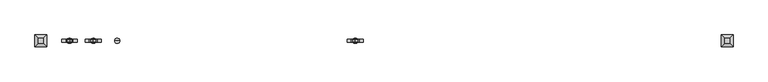
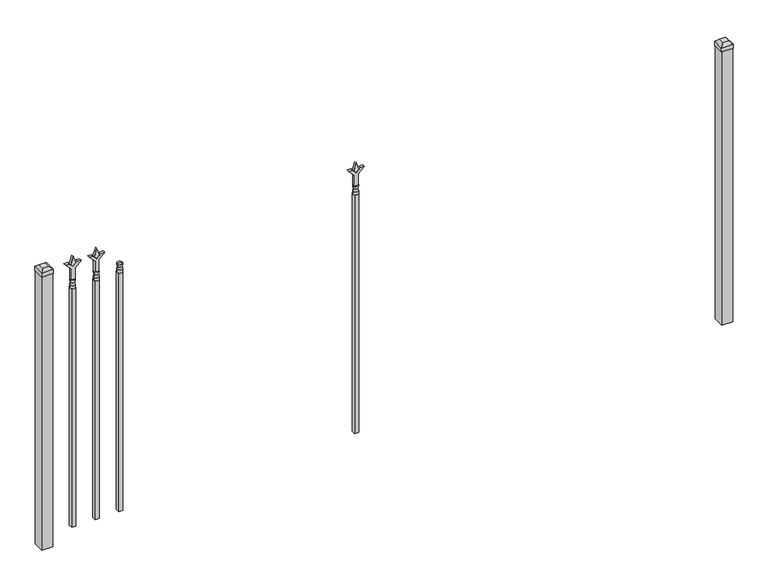
"""IFC4 building model written with IfcOpenShell, lengths in millimetres: railing geometry."""

from ifc_helpers import new_model, si_unit, frame, origin, origin_with_axes, place, context, project, spatial, polyline, circle_curve, outline, extrude, faceted_brep, source, transform, mapped, element, save
from ifc_brep_helpers import plane_surface, cylinder_surface, revolved_surface, advanced_brep


def railing_55c74245(model_context):
    return source(origin(), model_context, "Body", "SolidModel", [
        advanced_brep(
        [(-73175.1035036, -6731.2570174, 1231.9), (-73198.9160036, -6731.2570174, 1231.9), (-73198.9160036, -6731.2570174, 1219.2), (-73175.1035036, -6731.2570174, 1219.2), (-73177.3088355, -6731.2570174, 1244.4070585), (-73196.7106718, -6731.2570174, 1244.4070585), (-73175.1035036, -6731.2570174, 1260.475), (-73198.9160036, -6731.2570174, 1260.475), (-73187.0097536, -6731.2570174, 1260.475), (-73187.0097536, -6731.2570174, 1219.2)],
        [
            (0, 1, circle_curve(frame((-73187.0097536, -6731.2570174, 1231.9), z_axis=(0.0, 0.0, -1.0), x_axis=(-1.0, 0.0, 0.0)), 11.90625)),
            (1, 2),
            (2, 3, circle_curve(frame((-73187.0097536, -6731.2570174, 1219.2), z_axis=(0.0, 0.0, 1.0), x_axis=(-1.0, 0.0, 0.0)), 11.90625)),
            (3, 0),
            (1, 0, circle_curve(frame((-73187.0097536, -6731.2570174, 1231.9), z_axis=(0.0, 0.0, -1.0), x_axis=(-1.0, 0.0, 0.0)), 11.90625)),
            (3, 2, circle_curve(frame((-73187.0097536, -6731.2570174, 1219.2), z_axis=(0.0, 0.0, 1.0), x_axis=(-1.0, 0.0, 0.0)), 11.90625)),
            (4, 5, circle_curve(frame((-73187.0097536, -6731.2570174, 1244.4070585), z_axis=(0.0, 0.0, -1.0), x_axis=(-1.0, 0.0, 0.0)), 9.7009181)),
            (5, 1),
            (0, 4),
            (5, 4, circle_curve(frame((-73187.0097536, -6731.2570174, 1244.4070585), z_axis=(0.0, 0.0, -1.0), x_axis=(-1.0, 0.0, 0.0)), 9.7009181)),
            (6, 7, circle_curve(frame((-73187.0097536, -6731.2570174, 1260.475), z_axis=(0.0, 0.0, -1.0), x_axis=(-1.0, 0.0, 0.0)), 11.90625)),
            (7, 5),
            (4, 6),
            (7, 6, circle_curve(frame((-73187.0097536, -6731.2570174, 1260.475), z_axis=(0.0, 0.0, -1.0), x_axis=(-1.0, 0.0, 0.0)), 11.90625)),
            (8, 7),
            (6, 8),
            (2, 9),
            (9, 3),
        ],
        [
            cylinder_surface(frame((-73187.0097536, -6731.2570174, 1219.2), z_axis=(0.0, 0.0, 1.0), x_axis=(-1.0, 0.0, 0.0)), 11.90625),
            revolved_surface(polyline([(-73198.9160036, -6731.2570174, 1231.9), (-73196.7106718, -6731.2570174, 1244.4070585)]), (-73187.0097536, -6731.2570174, 1219.2), (0.0, 0.0, 1.0)),
            revolved_surface(polyline([(-73196.7106718, -6731.2570174, 1244.4070585), (-73198.9160036, -6731.2570174, 1260.475)]), (-73187.0097536, -6731.2570174, 1219.2), (0.0, 0.0, 1.0)),
            plane_surface(frame((-73187.0097536, -6731.2570174, 1260.475), z_axis=(0.0, 0.0, 1.0), x_axis=(-1.0, 0.0, 0.0))),
            plane_surface(frame((-73187.0097536, -6731.2570174, 1219.2), z_axis=(0.0, 0.0, -1.0), x_axis=(-1.0, 0.0, 0.0))),
        ],
        [
            (0, [[1, 2, 3, 4]]),
            (0, [[5, -4, 6, -2]]),
            (1, [[7, 8, -1, 9]]),
            (1, [[10, -9, -5, -8]]),
            (2, [[11, 12, -7, 13]]),
            (2, [[14, -13, -10, -12]]),
            (3, [[15, -11, 16]]),
            (3, [[-16, -14, -15]]),
            (4, [[-3, 17, 18]]),
            (4, [[-6, -18, -17]]),
        ],
    ),
        extrude(outline(polyline([(-73196.5347536, -6721.7320174), (-73177.4847536, -6721.7320174), (-73177.4847536, -6740.7820174), (-73196.5347536, -6740.7820174), (-73196.5347536, -6721.7320174)])), frame((0.0, 0.0, 50.8), z_axis=(0.0, 0.0, 1.0), x_axis=(1.0, 0.0, 0.0)), (0.0, 0.0, 1.0), 1168.4),
        extrude(outline(polyline([(1335.88125, -73284.3764203), (1371.6, -73296.2826703), (1335.88125, -73308.1889203), (1323.975, -73296.2826703), (1335.88125, -73284.3764203)])), frame((0.0, -6736.0195174, 0.0), z_axis=(0.0, 1.0, 0.0), x_axis=(0.0, 0.0, 1.0)), (0.0, 0.0, 1.0), 9.525),
        extrude(outline(polyline([(1260.475, -73287.5514203), (1314.7457378, -73287.5514203), (1341.9355122, -73260.3616458), (1341.9355122, -73278.3221581), (1323.975, -73296.2826703), (1341.9355122, -73314.2431825), (1341.9355122, -73332.2036948), (1314.7457378, -73305.0139203), (1260.475, -73305.0139203), (1260.475, -73287.5514203)])), frame((0.0, -6737.6070174, 0.0), z_axis=(0.0, 1.0, 0.0), x_axis=(0.0, 0.0, 1.0)), (0.0, 0.0, 1.0), 12.7),
        advanced_brep(
        [(-73284.3764203, -6731.2570174, 1231.9), (-73308.1889203, -6731.2570174, 1231.9), (-73308.1889203, -6731.2570174, 1219.2), (-73284.3764203, -6731.2570174, 1219.2), (-73286.5817522, -6731.2570174, 1244.4070585), (-73305.9835884, -6731.2570174, 1244.4070585), (-73284.3764203, -6731.2570174, 1260.475), (-73308.1889203, -6731.2570174, 1260.475), (-73296.2826703, -6731.2570174, 1260.475), (-73296.2826703, -6731.2570174, 1219.2)],
        [
            (0, 1, circle_curve(frame((-73296.2826703, -6731.2570174, 1231.9), z_axis=(0.0, 0.0, -1.0), x_axis=(-1.0, 0.0, 0.0)), 11.90625)),
            (1, 2),
            (2, 3, circle_curve(frame((-73296.2826703, -6731.2570174, 1219.2), z_axis=(0.0, 0.0, 1.0), x_axis=(-1.0, 0.0, 0.0)), 11.90625)),
            (3, 0),
            (1, 0, circle_curve(frame((-73296.2826703, -6731.2570174, 1231.9), z_axis=(0.0, 0.0, -1.0), x_axis=(-1.0, 0.0, 0.0)), 11.90625)),
            (3, 2, circle_curve(frame((-73296.2826703, -6731.2570174, 1219.2), z_axis=(0.0, 0.0, 1.0), x_axis=(-1.0, 0.0, 0.0)), 11.90625)),
            (4, 5, circle_curve(frame((-73296.2826703, -6731.2570174, 1244.4070585), z_axis=(0.0, 0.0, -1.0), x_axis=(-1.0, 0.0, 0.0)), 9.7009181)),
            (5, 1),
            (0, 4),
            (5, 4, circle_curve(frame((-73296.2826703, -6731.2570174, 1244.4070585), z_axis=(0.0, 0.0, -1.0), x_axis=(-1.0, 0.0, 0.0)), 9.7009181)),
            (6, 7, circle_curve(frame((-73296.2826703, -6731.2570174, 1260.475), z_axis=(0.0, 0.0, -1.0), x_axis=(-1.0, 0.0, 0.0)), 11.90625)),
            (7, 5),
            (4, 6),
            (7, 6, circle_curve(frame((-73296.2826703, -6731.2570174, 1260.475), z_axis=(0.0, 0.0, -1.0), x_axis=(-1.0, 0.0, 0.0)), 11.90625)),
            (8, 7),
            (6, 8),
            (2, 9),
            (9, 3),
        ],
        [
            cylinder_surface(frame((-73296.2826703, -6731.2570174, 1219.2), z_axis=(0.0, 0.0, 1.0), x_axis=(-1.0, 0.0, 0.0)), 11.90625),
            revolved_surface(polyline([(-73308.1889203, -6731.2570174, 1231.9), (-73305.9835884, -6731.2570174, 1244.4070585)]), (-73296.2826703, -6731.2570174, 1219.2), (0.0, 0.0, 1.0)),
            revolved_surface(polyline([(-73305.9835884, -6731.2570174, 1244.4070585), (-73308.1889203, -6731.2570174, 1260.475)]), (-73296.2826703, -6731.2570174, 1219.2), (0.0, 0.0, 1.0)),
            plane_surface(frame((-73296.2826703, -6731.2570174, 1260.475), z_axis=(0.0, 0.0, 1.0), x_axis=(-1.0, 0.0, 0.0))),
            plane_surface(frame((-73296.2826703, -6731.2570174, 1219.2), z_axis=(0.0, 0.0, -1.0), x_axis=(-1.0, 0.0, 0.0))),
        ],
        [
            (0, [[1, 2, 3, 4]]),
            (0, [[5, -4, 6, -2]]),
            (1, [[7, 8, -1, 9]]),
            (1, [[10, -9, -5, -8]]),
            (2, [[11, 12, -7, 13]]),
            (2, [[14, -13, -10, -12]]),
            (3, [[15, -11, 16]]),
            (3, [[-16, -14, -15]]),
            (4, [[-3, 17, 18]]),
            (4, [[-6, -18, -17]]),
        ],
    ),
        extrude(outline(polyline([(-73305.8076703, -6721.7320174), (-73286.7576703, -6721.7320174), (-73286.7576703, -6740.7820174), (-73305.8076703, -6740.7820174), (-73305.8076703, -6721.7320174)])), frame((0.0, 0.0, 50.8), z_axis=(0.0, 0.0, 1.0), x_axis=(1.0, 0.0, 0.0)), (0.0, 0.0, 1.0), 1168.4),
        extrude(outline(polyline([(1335.88125, -72082.374337), (1371.6, -72094.280587), (1335.88125, -72106.186837), (1323.975, -72094.280587), (1335.88125, -72082.374337)])), frame((0.0, -6736.0195174, 0.0), z_axis=(0.0, 1.0, 0.0), x_axis=(0.0, 0.0, 1.0)), (0.0, 0.0, 1.0), 9.525),
        extrude(outline(polyline([(1260.475, -72085.549337), (1314.7457378, -72085.549337), (1341.9355122, -72058.3595625), (1341.9355122, -72076.3200747), (1323.975, -72094.280587), (1341.9355122, -72112.2410992), (1341.9355122, -72130.2016114), (1314.7457378, -72103.011837), (1260.475, -72103.011837), (1260.475, -72085.549337)])), frame((0.0, -6737.6070174, 0.0), z_axis=(0.0, 1.0, 0.0), x_axis=(0.0, 0.0, 1.0)), (0.0, 0.0, 1.0), 12.7),
        advanced_brep(
        [(-72082.374337, -6731.2570174, 1231.9), (-72106.186837, -6731.2570174, 1231.9), (-72106.186837, -6731.2570174, 1219.2), (-72082.374337, -6731.2570174, 1219.2), (-72084.5796688, -6731.2570174, 1244.4070585), (-72103.9815051, -6731.2570174, 1244.4070585), (-72082.374337, -6731.2570174, 1260.475), (-72106.186837, -6731.2570174, 1260.475), (-72094.280587, -6731.2570174, 1260.475), (-72094.280587, -6731.2570174, 1219.2)],
        [
            (0, 1, circle_curve(frame((-72094.280587, -6731.2570174, 1231.9), z_axis=(0.0, 0.0, -1.0), x_axis=(-1.0, 0.0, 0.0)), 11.90625)),
            (1, 2),
            (2, 3, circle_curve(frame((-72094.280587, -6731.2570174, 1219.2), z_axis=(0.0, 0.0, 1.0), x_axis=(-1.0, 0.0, 0.0)), 11.90625)),
            (3, 0),
            (1, 0, circle_curve(frame((-72094.280587, -6731.2570174, 1231.9), z_axis=(0.0, 0.0, -1.0), x_axis=(-1.0, 0.0, 0.0)), 11.90625)),
            (3, 2, circle_curve(frame((-72094.280587, -6731.2570174, 1219.2), z_axis=(0.0, 0.0, 1.0), x_axis=(-1.0, 0.0, 0.0)), 11.90625)),
            (4, 5, circle_curve(frame((-72094.280587, -6731.2570174, 1244.4070585), z_axis=(0.0, 0.0, -1.0), x_axis=(-1.0, 0.0, 0.0)), 9.7009181)),
            (5, 1),
            (0, 4),
            (5, 4, circle_curve(frame((-72094.280587, -6731.2570174, 1244.4070585), z_axis=(0.0, 0.0, -1.0), x_axis=(-1.0, 0.0, 0.0)), 9.7009181)),
            (6, 7, circle_curve(frame((-72094.280587, -6731.2570174, 1260.475), z_axis=(0.0, 0.0, -1.0), x_axis=(-1.0, 0.0, 0.0)), 11.90625)),
            (7, 5),
            (4, 6),
            (7, 6, circle_curve(frame((-72094.280587, -6731.2570174, 1260.475), z_axis=(0.0, 0.0, -1.0), x_axis=(-1.0, 0.0, 0.0)), 11.90625)),
            (8, 7),
            (6, 8),
            (2, 9),
            (9, 3),
        ],
        [
            cylinder_surface(frame((-72094.280587, -6731.2570174, 1219.2), z_axis=(0.0, 0.0, 1.0), x_axis=(-1.0, 0.0, 0.0)), 11.90625),
            revolved_surface(polyline([(-72106.186837, -6731.2570174, 1231.9), (-72103.9815051, -6731.2570174, 1244.4070585)]), (-72094.280587, -6731.2570174, 1219.2), (0.0, 0.0, 1.0)),
            revolved_surface(polyline([(-72103.9815051, -6731.2570174, 1244.4070585), (-72106.186837, -6731.2570174, 1260.475)]), (-72094.280587, -6731.2570174, 1219.2), (0.0, 0.0, 1.0)),
            plane_surface(frame((-72094.280587, -6731.2570174, 1260.475), z_axis=(0.0, 0.0, 1.0), x_axis=(-1.0, 0.0, 0.0))),
            plane_surface(frame((-72094.280587, -6731.2570174, 1219.2), z_axis=(0.0, 0.0, -1.0), x_axis=(-1.0, 0.0, 0.0))),
        ],
        [
            (0, [[1, 2, 3, 4]]),
            (0, [[5, -4, 6, -2]]),
            (1, [[7, 8, -1, 9]]),
            (1, [[10, -9, -5, -8]]),
            (2, [[11, 12, -7, 13]]),
            (2, [[14, -13, -10, -12]]),
            (3, [[15, -11, 16]]),
            (3, [[-16, -14, -15]]),
            (4, [[-3, 17, 18]]),
            (4, [[-6, -18, -17]]),
        ],
    ),
        extrude(outline(polyline([(-72103.805587, -6721.7320174), (-72084.755587, -6721.7320174), (-72084.755587, -6740.7820174), (-72103.805587, -6740.7820174), (-72103.805587, -6721.7320174)])), frame((0.0, 0.0, 50.8), z_axis=(0.0, 0.0, 1.0), x_axis=(1.0, 0.0, 0.0)), (0.0, 0.0, 1.0), 1168.4),
        extrude(outline(polyline([(1335.88125, -73393.649337), (1371.6, -73405.555587), (1335.88125, -73417.461837), (1323.975, -73405.555587), (1335.88125, -73393.649337)])), frame((0.0, -6736.0195174, 0.0), z_axis=(0.0, 1.0, 0.0), x_axis=(0.0, 0.0, 1.0)), (0.0, 0.0, 1.0), 9.525),
        extrude(outline(polyline([(1260.475, -73396.824337), (1314.7457378, -73396.824337), (1341.9355122, -73369.6345625), (1341.9355122, -73387.5950747), (1323.975, -73405.555587), (1341.9355122, -73423.5160992), (1341.9355122, -73441.4766114), (1314.7457378, -73414.286837), (1260.475, -73414.286837), (1260.475, -73396.824337)])), frame((0.0, -6737.6070174, 0.0), z_axis=(0.0, 1.0, 0.0), x_axis=(0.0, 0.0, 1.0)), (0.0, 0.0, 1.0), 12.7),
        advanced_brep(
        [(-73393.649337, -6731.2570174, 1231.9), (-73417.461837, -6731.2570174, 1231.9), (-73417.461837, -6731.2570174, 1219.2), (-73393.649337, -6731.2570174, 1219.2), (-73395.8546688, -6731.2570174, 1244.4070585), (-73415.2565051, -6731.2570174, 1244.4070585), (-73393.649337, -6731.2570174, 1260.475), (-73417.461837, -6731.2570174, 1260.475), (-73405.555587, -6731.2570174, 1260.475), (-73405.555587, -6731.2570174, 1219.2)],
        [
            (0, 1, circle_curve(frame((-73405.555587, -6731.2570174, 1231.9), z_axis=(0.0, 0.0, -1.0), x_axis=(-1.0, 0.0, 0.0)), 11.90625)),
            (1, 2),
            (2, 3, circle_curve(frame((-73405.555587, -6731.2570174, 1219.2), z_axis=(0.0, 0.0, 1.0), x_axis=(-1.0, 0.0, 0.0)), 11.90625)),
            (3, 0),
            (1, 0, circle_curve(frame((-73405.555587, -6731.2570174, 1231.9), z_axis=(0.0, 0.0, -1.0), x_axis=(-1.0, 0.0, 0.0)), 11.90625)),
            (3, 2, circle_curve(frame((-73405.555587, -6731.2570174, 1219.2), z_axis=(0.0, 0.0, 1.0), x_axis=(-1.0, 0.0, 0.0)), 11.90625)),
            (4, 5, circle_curve(frame((-73405.555587, -6731.2570174, 1244.4070585), z_axis=(0.0, 0.0, -1.0), x_axis=(-1.0, 0.0, 0.0)), 9.7009181)),
            (5, 1),
            (0, 4),
            (5, 4, circle_curve(frame((-73405.555587, -6731.2570174, 1244.4070585), z_axis=(0.0, 0.0, -1.0), x_axis=(-1.0, 0.0, 0.0)), 9.7009181)),
            (6, 7, circle_curve(frame((-73405.555587, -6731.2570174, 1260.475), z_axis=(0.0, 0.0, -1.0), x_axis=(-1.0, 0.0, 0.0)), 11.90625)),
            (7, 5),
            (4, 6),
            (7, 6, circle_curve(frame((-73405.555587, -6731.2570174, 1260.475), z_axis=(0.0, 0.0, -1.0), x_axis=(-1.0, 0.0, 0.0)), 11.90625)),
            (8, 7),
            (6, 8),
            (2, 9),
            (9, 3),
        ],
        [
            cylinder_surface(frame((-73405.555587, -6731.2570174, 1219.2), z_axis=(0.0, 0.0, 1.0), x_axis=(-1.0, 0.0, 0.0)), 11.90625),
            revolved_surface(polyline([(-73417.461837, -6731.2570174, 1231.9), (-73415.2565051, -6731.2570174, 1244.4070585)]), (-73405.555587, -6731.2570174, 1219.2), (0.0, 0.0, 1.0)),
            revolved_surface(polyline([(-73415.2565051, -6731.2570174, 1244.4070585), (-73417.461837, -6731.2570174, 1260.475)]), (-73405.555587, -6731.2570174, 1219.2), (0.0, 0.0, 1.0)),
            plane_surface(frame((-73405.555587, -6731.2570174, 1260.475), z_axis=(0.0, 0.0, 1.0), x_axis=(-1.0, 0.0, 0.0))),
            plane_surface(frame((-73405.555587, -6731.2570174, 1219.2), z_axis=(0.0, 0.0, -1.0), x_axis=(-1.0, 0.0, 0.0))),
        ],
        [
            (0, [[1, 2, 3, 4]]),
            (0, [[5, -4, 6, -2]]),
            (1, [[7, 8, -1, 9]]),
            (1, [[10, -9, -5, -8]]),
            (2, [[11, 12, -7, 13]]),
            (2, [[14, -13, -10, -12]]),
            (3, [[15, -11, 16]]),
            (3, [[-16, -14, -15]]),
            (4, [[-3, 17, 18]]),
            (4, [[-6, -18, -17]]),
        ],
    ),
        extrude(outline(polyline([(-73415.080587, -6721.7320174), (-73396.030587, -6721.7320174), (-73396.030587, -6740.7820174), (-73415.080587, -6740.7820174), (-73415.080587, -6721.7320174)])), frame((0.0, 0.0, 50.8), z_axis=(0.0, 0.0, 1.0), x_axis=(1.0, 0.0, 0.0)), (0.0, 0.0, 1.0), 1168.4),
        extrude(outline(polyline([(-70362.318087, -6705.8570174), (-70362.318087, -6756.6570174), (-70413.118087, -6756.6570174), (-70413.118087, -6705.8570174), (-70362.318087, -6705.8570174)])), origin_with_axes(), (0.0, 0.0, 1.0), 1339.85),
        faceted_brep([(-70414.705587, -6704.2695174, 1358.9), (-70414.705587, -6704.2695174, 1339.85), (-70414.705587, -6758.2445174, 1339.85), (-70414.705587, -6758.2445174, 1358.9), (-70402.005587, -6716.9695174, 1371.6), (-70402.005587, -6745.5445174, 1371.6), (-70360.730587, -6758.2445174, 1339.85), (-70360.730587, -6758.2445174, 1358.9), (-70373.430587, -6745.5445174, 1371.6), (-70360.730587, -6704.2695174, 1339.85), (-70360.730587, -6704.2695174, 1358.9), (-70373.430587, -6716.9695174, 1371.6)], [[[0, 1, 2, 3]], [[4, 0, 3, 5]], [[3, 2, 6, 7]], [[5, 3, 7, 8]], [[7, 6, 9, 10]], [[8, 7, 10, 11]], [[10, 9, 1, 0]], [[11, 10, 0, 4]], [[5, 8, 11, 4]], [[1, 9, 6, 2]]]),
        extrude(outline(polyline([(-73511.918087, -6705.8570174), (-73511.918087, -6756.6570174), (-73562.718087, -6756.6570174), (-73562.718087, -6705.8570174), (-73511.918087, -6705.8570174)])), origin_with_axes(), (0.0, 0.0, 1.0), 1339.85),
        faceted_brep([(-73564.305587, -6704.2695174, 1358.9), (-73564.305587, -6704.2695174, 1339.85), (-73564.305587, -6758.2445174, 1339.85), (-73564.305587, -6758.2445174, 1358.9), (-73551.605587, -6716.9695174, 1371.6), (-73551.605587, -6745.5445174, 1371.6), (-73510.330587, -6758.2445174, 1339.85), (-73510.330587, -6758.2445174, 1358.9), (-73523.030587, -6745.5445174, 1371.6), (-73510.330587, -6704.2695174, 1339.85), (-73510.330587, -6704.2695174, 1358.9), (-73523.030587, -6716.9695174, 1371.6)], [[[0, 1, 2, 3]], [[4, 0, 3, 5]], [[3, 2, 6, 7]], [[5, 3, 7, 8]], [[7, 6, 9, 10]], [[8, 7, 10, 11]], [[10, 9, 1, 0]], [[11, 10, 0, 4]], [[5, 8, 11, 4]], [[1, 9, 6, 2]]]),
    ])


if __name__ == "__main__":
    model = new_model("IFC4")
    model_context = context("Model", 3, world=origin())
    ifc_project = project(units=[si_unit("LENGTHUNIT", "METRE", prefix="MILLI")], contexts=[model_context])
    site = spatial("IfcSite", under=ifc_project)
    building = spatial("IfcBuilding", under=site)
    placement = place(None, origin())
    railing_shape = railing_55c74245(model_context)
    element("IfcRailing", 1, at=placement, inside=building, context=model_context, shape_type="MappedRepresentation", body=[
        mapped(railing_shape, transform((0.0, 0.0, 0.0), x_axis=(1.0, 0.0, 0.0), y_axis=(0.0, 1.0, 0.0), z_axis=(0.0, 0.0, 1.0))),
    ])
    save(model, "model.ifc")
